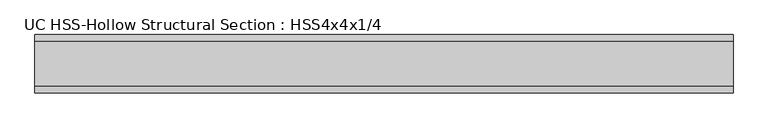
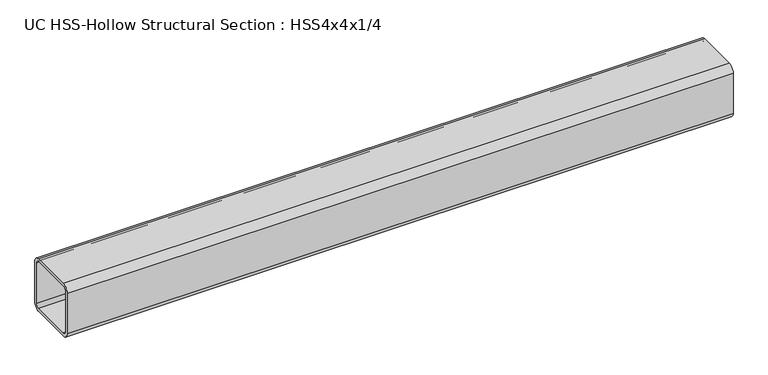
"""IFC4 building model written with IfcOpenShell, lengths in millimetres: beam geometry, UC HSS-Hollow Structural Section : HSS4x4x1/4."""

from ifc_helpers import new_model, si_unit, point, frame, frame_2d, origin, place, context, project, spatial, polyline, circle_curve, trimmed, segment, composite_curve, outline, extrude, source, transform, mapped, element, save


def uc_hss_hollow_structural_section_hss4x4x1_4_9e662e6b(model_context):
    return source(origin(), model_context, "Body", "SweptSolid", [
        extrude(outline(composite_curve([segment(trimmed(circle_curve(frame_2d((-38.9636, 38.9636)), 11.8364), [point((-50.8, 38.9636))], [point((-38.9636, 50.8))], False, "CARTESIAN"), True, "CONTINUOUS"), segment(polyline([(-38.9636, 50.8), (38.9636, 50.8)]), True, "CONTINUOUS"), segment(trimmed(circle_curve(frame_2d((38.9636, 38.9636)), 11.8364), [point((38.9636, 50.8))], [point((50.8, 38.9636))], False, "CARTESIAN"), True, "CONTINUOUS"), segment(polyline([(50.8, 38.9636), (50.8, -38.9636)]), True, "CONTINUOUS"), segment(trimmed(circle_curve(frame_2d((38.9636, -38.9636)), 11.8364), [point((50.8, -38.9636))], [point((38.9636, -50.8))], False, "CARTESIAN"), True, "CONTINUOUS"), segment(polyline([(38.9636, -50.8), (-38.9636, -50.8)]), True, "CONTINUOUS"), segment(trimmed(circle_curve(frame_2d((-38.9636, -38.9636)), 11.8364), [point((-38.9636, -50.8))], [point((-50.8, -38.9636))], False, "CARTESIAN"), True, "CONTINUOUS"), segment(polyline([(-50.8, -38.9636), (-50.8, 38.9636)]), True, "CONTINUOUS")], self_intersect=False), holes=[composite_curve([segment(polyline([(38.9636, 44.8818), (-38.9636, 44.8818)]), True, "CONTINUOUS"), segment(trimmed(circle_curve(frame_2d((-38.9636, 38.9636)), 5.9182), [point((-38.9636, 44.8818))], [point((-44.8818, 38.9636))], True, "CARTESIAN"), True, "CONTINUOUS"), segment(polyline([(-44.8818, 38.9636), (-44.8818, -38.9636)]), True, "CONTINUOUS"), segment(trimmed(circle_curve(frame_2d((-38.9636, -38.9636)), 5.9182), [point((-44.8818, -38.9636))], [point((-38.9636, -44.8818))], True, "CARTESIAN"), True, "CONTINUOUS"), segment(polyline([(-38.9636, -44.8818), (38.9636, -44.8818)]), True, "CONTINUOUS"), segment(trimmed(circle_curve(frame_2d((38.9636, -38.9636)), 5.9182), [point((38.9636, -44.8818))], [point((44.8818, -38.9636))], True, "CARTESIAN"), True, "CONTINUOUS"), segment(polyline([(44.8818, -38.9636), (44.8818, 38.9636)]), True, "CONTINUOUS"), segment(trimmed(circle_curve(frame_2d((38.9636, 38.9636)), 5.9182), [point((44.8818, 38.9636))], [point((38.9636, 44.8818))], True, "CARTESIAN"), True, "CONTINUOUS")], self_intersect=False)]), frame((-638.175, 0.0, 0.0), z_axis=(1.0, 0.0, 0.0), x_axis=(0.0, 1.0, 0.0)), (0.0, 0.0, 1.0), 1212.799111),
    ])


if __name__ == "__main__":
    model = new_model("IFC4")
    model_context = context("Model", 3, world=origin())
    ifc_project = project(units=[si_unit("LENGTHUNIT", "METRE", prefix="MILLI")], contexts=[model_context])
    site = spatial("IfcSite", under=ifc_project)
    building = spatial("IfcBuilding", under=site)
    placement = place(None, origin())
    uc_hss_hollow_structural_section_hss4x4x1_4_shape = uc_hss_hollow_structural_section_hss4x4x1_4_9e662e6b(model_context)
    element("IfcBeam", 1, ObjectType="UC HSS-Hollow Structural Section : HSS4x4x1/4", at=placement, inside=building, context=model_context, shape_type="MappedRepresentation", body=[
        mapped(uc_hss_hollow_structural_section_hss4x4x1_4_shape, transform((0.0, 0.0, 0.0), x_axis=(1.0, 0.0, 0.0), y_axis=(0.0, 1.0, 0.0), z_axis=(0.0, 0.0, 1.0))),
    ])
    save(model, "model.ifc")
